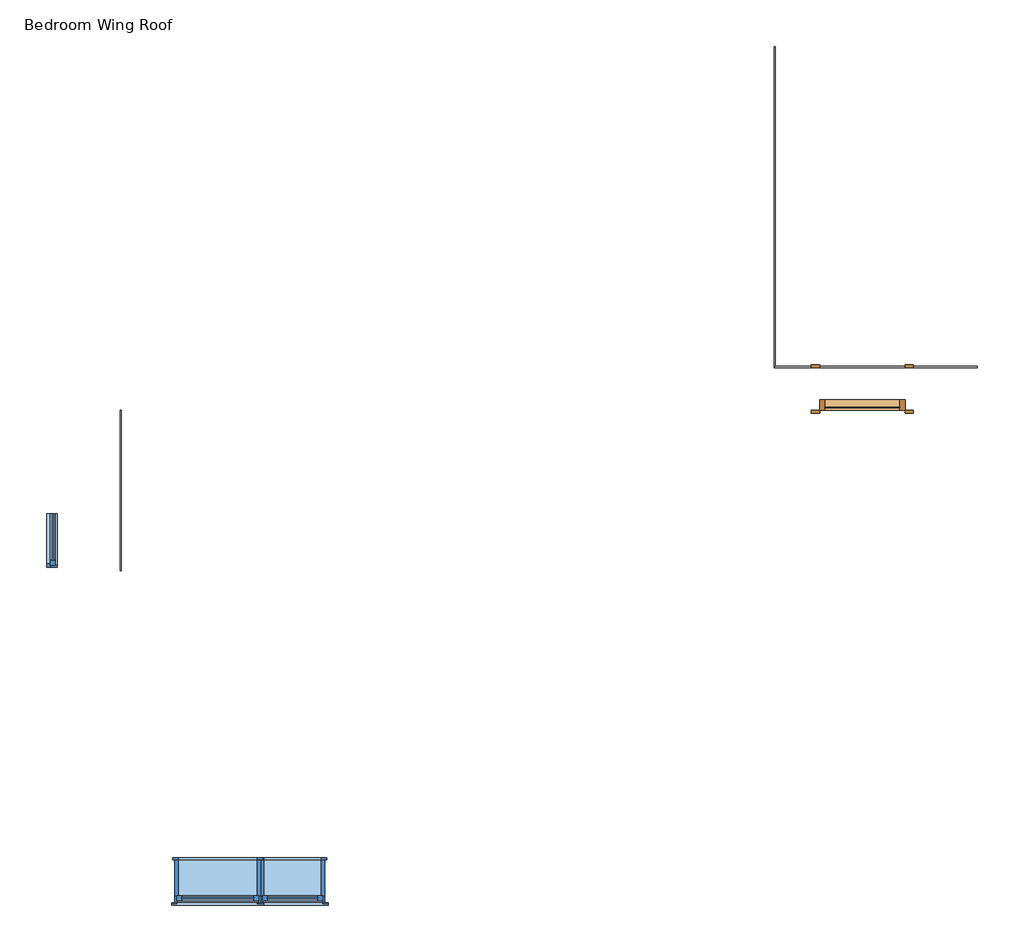
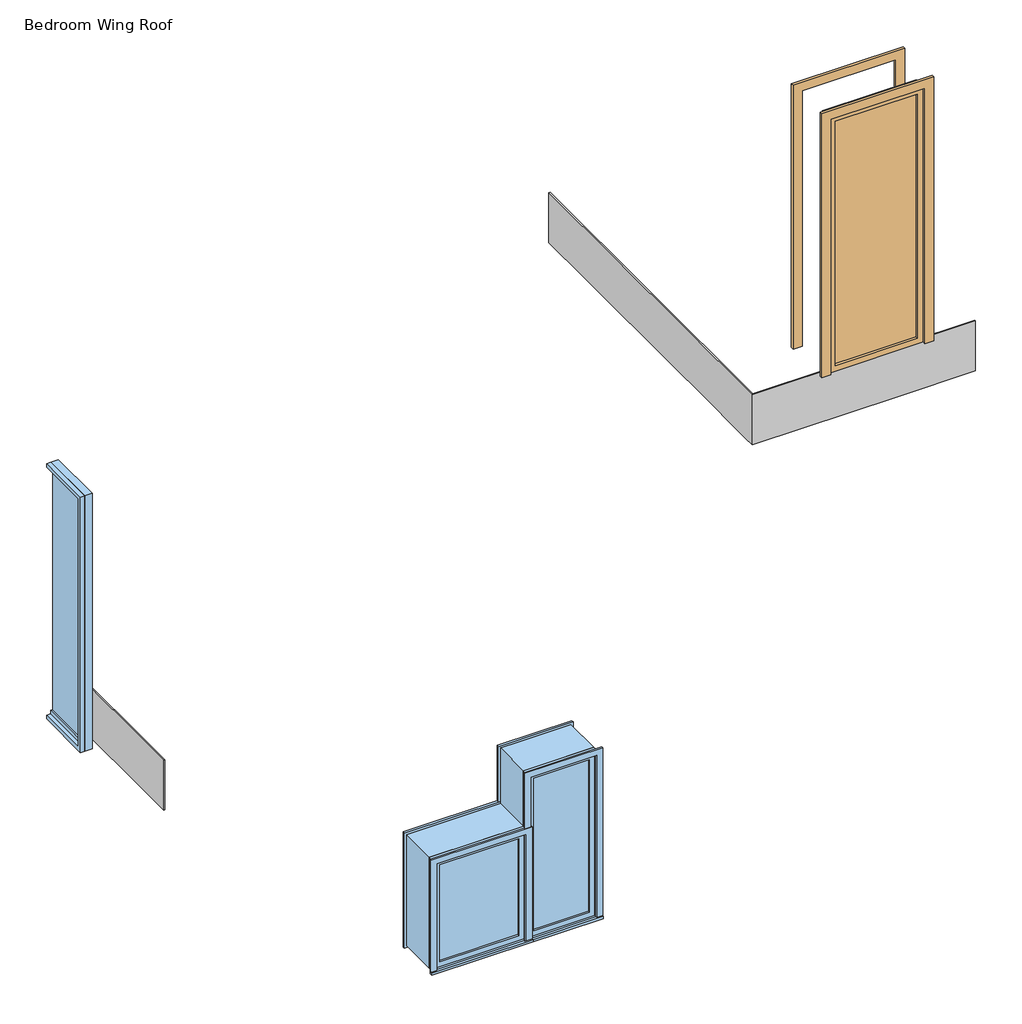
# One storey: 3 proxies, 3 windows, 1 door.
"""IFC4 building model written with IfcOpenShell, lengths in millimetres."""

import ifcopenshell
import ifcopenshell.guid

model = None  # the IFC model being written
_history = None  # IfcOwnerHistory: only IFC2X3 demands one
_inside = {}  # id of a spatial element -> (the spatial element, [elements in it])
_under = {}  # id of a project, library or spatial element -> (it, [spatial elements below it])
_declared = {}  # id of a project -> (the project, [libraries it declares])
_typed = {}  # id of a type object -> (the type object, [elements of that type])
_made_of = {}  # id of a material, layer set ... -> (it, [elements and type objects made of it])


def new_model(schema):
    """Start an empty IFC model of exactly this schema.

    Asked for "IFC4X3", IfcOpenShell would pick the latest addendum, in which some entities
    have other attributes; the version numbers below select the first issue.
    IFC2X3 requires an IfcOwnerHistory on every rooted entity: one is made here for all.
    """
    global model, _history
    if schema == "IFC4X3":
        model = ifcopenshell.file(schema_version=(4, 3, 0, 0))
    else:
        model = ifcopenshell.file(schema=schema)
    _inside.clear()
    _under.clear()
    _declared.clear()
    _typed.clear()
    _made_of.clear()
    _history = None
    if model.schema == "IFC2X3":
        org = make("IfcOrganization", Name="unknown")
        user = make(
            "IfcPersonAndOrganization",
            ThePerson=make("IfcPerson", FamilyName="unknown"),
            TheOrganization=org,
        )
        app = make(
            "IfcApplication",
            ApplicationDeveloper=org,
            Version="unknown",
            ApplicationFullName="unknown",
            ApplicationIdentifier="unknown",
        )
        _history = make(
            "IfcOwnerHistory",
            OwningUser=user,
            OwningApplication=app,
            ChangeAction="ADDED",
            CreationDate=0,
        )
    return model


def make(cls, **values):
    """One entity of the class cls with the attributes given. An attribute that is None is left unset."""
    return model.create_entity(
        cls, **{name: value for name, value in values.items() if value is not None}
    )


def rooted(cls, **values):
    """An entity with a GlobalId (a new one), such as an element, a storey or a relation."""
    return make(cls, GlobalId=ifcopenshell.guid.new(), OwnerHistory=_history, **values)


def si_unit(unit_type, name, prefix=None):
    """IfcSIUnit, for example si_unit("LENGTHUNIT", "METRE", prefix="MILLI")."""
    return make("IfcSIUnit", UnitType=unit_type, Prefix=prefix, Name=name)


def assignment(units):
    """IfcUnitAssignment: the units of a project."""
    return None if units is None else make("IfcUnitAssignment", Units=units)


def point(xyz):
    """IfcCartesianPoint."""
    return None if xyz is None else make("IfcCartesianPoint", Coordinates=xyz)


def direction(xyz):
    """IfcDirection."""
    return None if xyz is None else make("IfcDirection", DirectionRatios=xyz)


def frame(location, z_axis=None, x_axis=None):
    """IfcAxis2Placement3D, a coordinate frame: its origin and axes. An axis left out is left unset."""
    return make(
        "IfcAxis2Placement3D",
        Location=point(location),
        Axis=direction(z_axis),
        RefDirection=direction(x_axis),
    )


def origin():
    """The frame at (0, 0, 0) with its axes left unset."""
    return frame((0.0, 0.0, 0.0))


def place(relative_to, where):
    """IfcLocalPlacement: puts the frame where relative to a parent placement (None: the world)."""
    return make(
        "IfcLocalPlacement", PlacementRelTo=relative_to, RelativePlacement=where
    )


def context(
    kind, dimensions, precision=None, world=None, true_north=None, identifier=None
):
    """IfcGeometricRepresentationContext, for example the 3D "Model" context."""
    return make(
        "IfcGeometricRepresentationContext",
        ContextIdentifier=identifier,
        ContextType=kind,
        CoordinateSpaceDimension=dimensions,
        Precision=precision,
        WorldCoordinateSystem=world,
        TrueNorth=true_north,
    )


def project(units=None, contexts=None):
    """IfcProject with its units and contexts."""
    return rooted(
        "IfcProject",
        Name="project",
        RepresentationContexts=contexts,
        UnitsInContext=assignment(units),
    )


def spatial(cls, under=None, at=None, **own):
    """A site, building, storey or space (cls), placed at a placement, below another one or the project."""
    s = rooted(cls, ObjectPlacement=at, **own)
    if under is not None:
        _under.setdefault(under.id(), (under, []))[1].append(s)
    return s


def polyline(points):
    """IfcPolyline through the points."""
    return make("IfcPolyline", Points=[point(p) for p in points])


def outline(outer, holes=None, kind="AREA"):
    """IfcArbitraryClosedProfileDef: a profile drawn as a closed curve; with holes, ...WithVoids."""
    if holes is None:
        return make("IfcArbitraryClosedProfileDef", ProfileType=kind, OuterCurve=outer)
    return make(
        "IfcArbitraryProfileDefWithVoids",
        ProfileType=kind,
        OuterCurve=outer,
        InnerCurves=holes,
    )


def extrude(swept, where, along, depth):
    """IfcExtrudedAreaSolid: the profile swept, set in the frame where, extruded along a direction by depth."""
    return make(
        "IfcExtrudedAreaSolid",
        SweptArea=swept,
        Position=where,
        ExtrudedDirection=direction(along),
        Depth=depth,
    )


def faces_of(points, faces, orient=None, outer=None):
    """IfcFace entities. A face is a list of loops; a loop is a list of indices into points, from 0.

    orient and outer hold one flag for each loop. By default every Orientation is true, the
    first loop of a face is its IfcFaceOuterBound and the others are IfcFaceBound.
    """
    made = []
    for i, loops in enumerate(faces):
        bounds = []
        for j, loop in enumerate(loops):
            is_outer = j == 0 if outer is None else outer[i][j]
            bounds.append(
                make(
                    "IfcFaceOuterBound" if is_outer else "IfcFaceBound",
                    Bound=make("IfcPolyLoop", Polygon=[points[k] for k in loop]),
                    Orientation=True if orient is None else orient[i][j],
                )
            )
        made.append(make("IfcFace", Bounds=bounds))
    return made


def faceted_brep(points, faces, orient=None, outer=None, voids=None):
    """IfcFacetedBrep: a solid bounded by flat faces; with voids (closed shells), ...WithVoids."""
    shared = [point(p) for p in points]
    hull = make("IfcClosedShell", CfsFaces=faces_of(shared, faces, orient, outer))
    if voids is None:
        return make("IfcFacetedBrep", Outer=hull)
    return make(
        "IfcFacetedBrepWithVoids",
        Outer=hull,
        Voids=[
            make(cls, CfsFaces=faces_of(shared, fs, o, b)) for cls, fs, o, b in voids
        ],
    )


def shape(context_of_items, identifier, shape_type, items):
    """IfcShapeRepresentation: the items that make up one representation, for example the "Body"."""
    return make(
        "IfcShapeRepresentation",
        ContextOfItems=context_of_items,
        RepresentationIdentifier=identifier,
        RepresentationType=shape_type,
        Items=items,
    )


def source(mapping_origin, context_of_items, identifier, shape_type, items):
    """IfcRepresentationMap: a shape defined once, which mapped items show again and again."""
    return make(
        "IfcRepresentationMap",
        MappingOrigin=mapping_origin,
        MappedRepresentation=shape(context_of_items, identifier, shape_type, items),
    )


def transform(
    local_origin,
    x_axis=None,
    y_axis=None,
    z_axis=None,
    scale=None,
    scale2=None,
    scale3=None,
    uniform=True,
):
    """IfcCartesianTransformationOperator3D, or its non-uniform kind. x_axis, y_axis, z_axis: its Axis1, 2, 3."""
    if uniform:
        return make(
            "IfcCartesianTransformationOperator3D",
            Axis1=direction(x_axis),
            Axis2=direction(y_axis),
            LocalOrigin=point(local_origin),
            Scale=scale,
            Axis3=direction(z_axis),
        )
    return make(
        "IfcCartesianTransformationOperator3DnonUniform",
        Axis1=direction(x_axis),
        Axis2=direction(y_axis),
        LocalOrigin=point(local_origin),
        Scale=scale,
        Axis3=direction(z_axis),
        Scale2=scale2,
        Scale3=scale3,
    )


def mapped(mapping_source, mapping_target):
    """IfcMappedItem: shows the shape of a source again, moved by a transform."""
    return make(
        "IfcMappedItem", MappingSource=mapping_source, MappingTarget=mapping_target
    )


def made_of(thing, what):
    """Note that an element or type object is made of a material, layer set ...; save() writes the relation."""
    if what is not None:
        _made_of.setdefault(what.id(), (what, []))[1].append(thing)
    return thing


def element(
    cls,
    number,
    at=None,
    inside=None,
    cuts=None,
    type_object=None,
    material=None,
    context=None,
    identifier="Body",
    shape_type=None,
    held_by="IfcProductDefinitionShape",
    body=None,
    shapes=None,
    **own,
):
    """One element of the class cls, such as IfcWall. Its Tag is "e" and its number.

    at: its placement. inside: the storey or other place that contains it. cuts: it is an
    opening in that element (IfcRelVoidsElement). A single representation is given by context,
    identifier, shape_type and body (its items); several are given by shapes. held_by: the class
    of the entity that holds the representations. save() writes the other relations.
    """
    e = rooted(cls, Tag="e%d" % number, ObjectPlacement=at, **own)
    if body is not None:
        shapes = [shape(context, identifier, shape_type, body)]
    if shapes is not None:
        e.Representation = make(held_by, Representations=shapes)
    if inside is not None:
        _inside.setdefault(inside.id(), (inside, []))[1].append(e)
    if cuts is not None:
        rooted(
            "IfcRelVoidsElement", RelatingBuildingElement=cuts, RelatedOpeningElement=e
        )
    if type_object is not None:
        _typed.setdefault(type_object.id(), (type_object, []))[1].append(e)
    return made_of(e, material)


def aggregate(whole, parts):
    """IfcRelAggregates: a whole, such as a stair, and the parts it consists of."""
    return rooted("IfcRelAggregates", RelatingObject=whole, RelatedObjects=parts)


def save(model, path):
    """Write the relations noted so far, then the file.

    IfcRelAggregates (storeys below a building ...), IfcRelContainedInSpatialStructure (elements
    in a storey), IfcRelDefinesByType, IfcRelAssociatesMaterial and IfcRelDeclares: one each for
    every whole, place, type object, material and project.
    """
    for whole, parts in _under.values():
        aggregate(whole, parts)
    for where, things in _inside.values():
        rooted(
            "IfcRelContainedInSpatialStructure",
            RelatedElements=things,
            RelatingStructure=where,
        )
    for kind, things in _typed.values():
        rooted("IfcRelDefinesByType", RelatedObjects=things, RelatingType=kind)
    for what, things in _made_of.values():
        rooted("IfcRelAssociatesMaterial", RelatedObjects=things, RelatingMaterial=what)
    for by, libraries in _declared.values():
        rooted("IfcRelDeclares", RelatingContext=by, RelatedDefinitions=libraries)
    model.write(path)


def single_glass_1_80_230_e0f8d8a6(model_context):
    return source(origin(), model_context, "Body", "SweptSolid", [
        extrude(outline(polyline([(2300.0, 400.0), (0.0, 400.0), (0.0, 476.2), (2376.2, 476.2), (2376.2, -476.2), (0.0, -476.2), (0.0, -400.0), (2300.0, -400.0), (2300.0, 400.0)])), frame((0.0, 200.0, 0.0), z_axis=(0.0, 1.0, 0.0), x_axis=(0.0, 0.0, 1.0)), (0.0, 0.0, 1.0), 25.4),
        extrude(outline(polyline([(2300.0, 400.0), (0.0, 400.0), (0.0, 476.2), (2376.2, 476.2), (2376.2, -476.2), (0.0, -476.2), (0.0, -400.0), (2300.0, -400.0), (2300.0, 400.0)])), frame((0.0, -225.4, 0.0), z_axis=(0.0, 1.0, 0.0), x_axis=(0.0, 0.0, 1.0)), (0.0, 0.0, 1.0), 25.4),
        extrude(outline(polyline([(350.0, -171.425), (350.0, -177.775), (-350.0, -177.775), (-350.0, -171.425), (350.0, -171.425)])), frame((0.0, 0.0, 50.0), z_axis=(0.0, 0.0, 1.0), x_axis=(1.0, 0.0, 0.0)), (0.0, 0.0, 1.0), 2200.0),
        extrude(outline(polyline([(2300.0, 400.0), (2300.0, -400.0), (0.0, -400.0), (0.0, 400.0), (2300.0, 400.0)]), holes=[polyline([(2250.0, -350.0), (2250.0, 350.0), (50.0, 350.0), (50.0, -350.0), (2250.0, -350.0)])]), frame((0.0, -200.0, 0.0), z_axis=(0.0, 1.0, 0.0), x_axis=(0.0, 0.0, 1.0)), (0.0, 0.0, 1.0), 100.0),
    ])


def casement_with_trim_100x80_f4950e13(model_context):
    return source(origin(), model_context, "Body", "SweptSolid", [
        extrude(outline(polyline([(-430.95, 225.4), (430.95, 225.4), (430.95, 200.0), (-430.95, 200.0), (-430.95, 225.4)])), frame((0.0, 0.0, 914.4), z_axis=(0.0, 0.0, 1.0), x_axis=(1.0, 0.0, 0.0)), (0.0, 0.0, 1.0), 19.05),
        extrude(outline(polyline([(1895.35, -380.95), (1895.35, 380.95), (933.45, 380.95), (933.45, 430.95), (1945.35, 430.95), (1945.35, -430.95), (933.45, -430.95), (933.45, -380.95), (1895.35, -380.95)])), frame((0.0, 200.0, 0.0), z_axis=(0.0, 1.0, 0.0), x_axis=(0.0, 0.0, 1.0)), (0.0, 0.0, 1.0), 12.7),
        extrude(outline(polyline([(1932.65, 418.25), (1932.65, -418.25), (896.15, -418.25), (896.15, 418.25), (1932.65, 418.25)]), holes=[polyline([(1882.65, 368.25), (946.15, 368.25), (946.15, -368.25), (1882.65, -368.25), (1882.65, 368.25)])]), frame((0.0, -219.05, 0.0), z_axis=(0.0, 1.0, 0.0), x_axis=(0.0, 0.0, 1.0)), (0.0, 0.0, 1.0), 19.05),
        extrude(outline(polyline([(336.5, 152.375), (-336.5, 152.375), (-336.5, 165.075), (336.5, 165.075), (336.5, 152.375)])), frame((0.0, 0.0, 977.9), z_axis=(0.0, 0.0, 1.0), x_axis=(1.0, 0.0, 0.0)), (0.0, 0.0, 1.0), 873.0),
        extrude(outline(polyline([(1895.35, -380.95), (933.45, -380.95), (933.45, 380.95), (1895.35, 380.95), (1895.35, -380.95)]), holes=[polyline([(1850.9, -336.5), (1850.9, 336.5), (977.9, 336.5), (977.9, -336.5), (1850.9, -336.5)])]), frame((0.0, 136.5, 0.0), z_axis=(0.0, 1.0, 0.0), x_axis=(0.0, 0.0, 1.0)), (0.0, 0.0, 1.0), 44.45),
        extrude(outline(polyline([(1914.4, -400.0), (914.4, -400.0), (914.4, 400.0), (1914.4, 400.0), (1914.4, -400.0)]), holes=[polyline([(1882.65, -368.25), (1882.65, 368.25), (946.15, 368.25), (946.15, -368.25), (1882.65, -368.25)])]), frame((0.0, -200.0, 0.0), z_axis=(0.0, 1.0, 0.0), x_axis=(0.0, 0.0, 1.0)), (0.0, 0.0, 1.0), 336.5),
        extrude(outline(polyline([(1914.4, 400.0), (1914.4, -400.0), (914.4, -400.0), (914.4, 400.0), (1914.4, 400.0)]), holes=[polyline([(1895.35, 380.95), (933.45, 380.95), (933.45, -380.95), (1895.35, -380.95), (1895.35, 380.95)])]), frame((0.0, 136.5, 0.0), z_axis=(0.0, 1.0, 0.0), x_axis=(0.0, 0.0, 1.0)), (0.0, 0.0, 1.0), 63.5),
    ])


def casement_with_trim_150x60_496f3e53(model_context):
    return source(origin(), model_context, "Body", "SweptSolid", [
        extrude(outline(polyline([(-330.95, 225.4), (330.95, 225.4), (330.95, 200.0), (-330.95, 200.0), (-330.95, 225.4)])), frame((0.0, 0.0, 914.4), z_axis=(0.0, 0.0, 1.0), x_axis=(1.0, 0.0, 0.0)), (0.0, 0.0, 1.0), 19.05),
        extrude(outline(polyline([(2395.35, -280.95), (2395.35, 280.95), (933.45, 280.95), (933.45, 330.95), (2445.35, 330.95), (2445.35, -330.95), (933.45, -330.95), (933.45, -280.95), (2395.35, -280.95)])), frame((0.0, 200.0, 0.0), z_axis=(0.0, 1.0, 0.0), x_axis=(0.0, 0.0, 1.0)), (0.0, 0.0, 1.0), 12.7),
        extrude(outline(polyline([(2432.65, 318.25), (2432.65, -318.25), (896.15, -318.25), (896.15, 318.25), (2432.65, 318.25)]), holes=[polyline([(2382.65, 268.25), (946.15, 268.25), (946.15, -268.25), (2382.65, -268.25), (2382.65, 268.25)])]), frame((0.0, -219.05, 0.0), z_axis=(0.0, 1.0, 0.0), x_axis=(0.0, 0.0, 1.0)), (0.0, 0.0, 1.0), 19.05),
        extrude(outline(polyline([(236.5, 152.375), (-236.5, 152.375), (-236.5, 165.075), (236.5, 165.075), (236.5, 152.375)])), frame((0.0, 0.0, 977.9), z_axis=(0.0, 0.0, 1.0), x_axis=(1.0, 0.0, 0.0)), (0.0, 0.0, 1.0), 1373.0),
        extrude(outline(polyline([(2395.35, -280.95), (933.45, -280.95), (933.45, 280.95), (2395.35, 280.95), (2395.35, -280.95)]), holes=[polyline([(2350.9, -236.5), (2350.9, 236.5), (977.9, 236.5), (977.9, -236.5), (2350.9, -236.5)])]), frame((0.0, 136.5, 0.0), z_axis=(0.0, 1.0, 0.0), x_axis=(0.0, 0.0, 1.0)), (0.0, 0.0, 1.0), 44.45),
        extrude(outline(polyline([(2414.4, -300.0), (914.4, -300.0), (914.4, 300.0), (2414.4, 300.0), (2414.4, -300.0)]), holes=[polyline([(2382.65, -268.25), (2382.65, 268.25), (946.15, 268.25), (946.15, -268.25), (2382.65, -268.25)])]), frame((0.0, -200.0, 0.0), z_axis=(0.0, 1.0, 0.0), x_axis=(0.0, 0.0, 1.0)), (0.0, 0.0, 1.0), 336.5),
        extrude(outline(polyline([(2414.4, 300.0), (2414.4, -300.0), (914.4, -300.0), (914.4, 300.0), (2414.4, 300.0)]), holes=[polyline([(2395.35, 280.95), (933.45, 280.95), (933.45, -280.95), (2395.35, -280.95), (2395.35, 280.95)])]), frame((0.0, 136.5, 0.0), z_axis=(0.0, 1.0, 0.0), x_axis=(0.0, 0.0, 1.0)), (0.0, 0.0, 1.0), 63.5),
    ])


def fixed_frameless_right_60_230_8c051b58(model_context):
    return source(origin(), model_context, "Body", "SweptSolid", [
        extrude(outline(polyline([(148.4, 2.375), (-288.1, 2.375), (-288.1, 15.075), (148.4, 15.075), (148.4, 2.375)])), frame((0.0, 0.0, 977.9), z_axis=(0.0, 0.0, 1.0), x_axis=(1.0, 0.0, 0.0)), (0.0, 0.0, 1.0), 2173.0),
        extrude(outline(polyline([(3195.35, -288.1), (3150.9, -288.1), (3150.9, 148.4), (977.9, 148.4), (977.9, -288.1), (933.45, -288.1), (933.45, 192.85), (3195.35, 192.85), (3195.35, -288.1)])), frame((0.0, -13.5, 0.0), z_axis=(0.0, 1.0, 0.0), x_axis=(0.0, 0.0, 1.0)), (0.0, 0.0, 1.0), 44.45),
        extrude(outline(polyline([(3214.4, -288.1), (3182.65, -288.1), (3182.65, 180.15), (946.15, 180.15), (946.15, -288.1), (914.4, -288.1), (914.4, 211.9), (3214.4, 211.9), (3214.4, -288.1)])), frame((0.0, -50.0, 0.0), z_axis=(0.0, 1.0, 0.0), x_axis=(0.0, 0.0, 1.0)), (0.0, 0.0, 1.0), 36.5),
        extrude(outline(polyline([(3214.4, 211.9), (3214.4, -288.1), (3195.35, -288.1), (3195.35, 192.85), (933.45, 192.85), (933.45, -288.1), (914.4, -288.1), (914.4, 211.9), (3214.4, 211.9)])), frame((0.0, -13.5, 0.0), z_axis=(0.0, 1.0, 0.0), x_axis=(0.0, 0.0, 1.0)), (0.0, 0.0, 1.0), 63.5),
    ])


model = new_model("IFC4")

# Units and contexts
model_context = context("Model", 3, world=origin())
ifc_project = project(units=[si_unit("LENGTHUNIT", "METRE", prefix="MILLI")], contexts=[model_context])

# Site, building, storey
site = spatial("IfcSite", under=ifc_project)
building = spatial("IfcBuilding", under=site)
storey = spatial("IfcBuildingStorey", under=building, Name="Bedroom Wing Roof", Elevation=2133.6)

# Proxies
placement = place(None, origin())
element("IfcBuildingElementProxy", 1, Name="Wall Sweeps", at=placement, inside=storey, context=model_context, shape_type="Brep", body=[
    faceted_brep([(463.797955, 3069.653017, 2300.0), (463.797955, 3069.653017, 2750.0), (473.797955, 3069.653017, 2750.0), (473.797955, 3069.653017, 2300.0), (463.797955, 1569.653017, 2300.0), (473.797955, 1569.653017, 2300.0), (473.797955, 1569.653017, 2750.0), (463.797955, 1569.653017, 2750.0), (473.797955, 1819.653017, 2300.0), (473.797955, 2819.653017, 2300.0)], [[[0, 1, 2, 3]], [[4, 5, 6, 7]], [[1, 0, 4, 7]], [[2, 1, 7, 6]], [[3, 2, 6, 5, 8, 9]], [[0, 3, 9, 8, 5, 4]]]),
])
element("IfcBuildingElementProxy", 2, Name="Wall Sweeps", at=placement, inside=storey, context=model_context, shape_type="Brep", body=[
    faceted_brep([(6583.797955, 6469.653017, 2300.0), (6573.797955, 6469.653017, 2300.0), (6573.797955, 6469.653017, 2750.0), (6583.797955, 6469.653017, 2750.0), (6583.797955, 3479.653017, 2300.0), (6583.797955, 3479.653017, 2750.0), (6573.797955, 3469.653017, 2750.0), (6573.797955, 3469.653017, 2300.0), (6573.797955, 3569.653017, 2300.0), (6573.797955, 4269.653017, 2300.0), (6573.797955, 4569.653017, 2300.0), (6573.797955, 5969.653017, 2300.0)], [[[0, 1, 2, 3]], [[4, 5, 6, 7]], [[1, 0, 4, 7, 8, 9, 10, 11]], [[2, 1, 11, 10, 9, 8, 7, 6]], [[3, 2, 6, 5]], [[0, 3, 5, 4]]]),
])
element("IfcBuildingElementProxy", 3, Name="Wall Sweeps", at=placement, inside=storey, context=model_context, shape_type="Brep", body=[
    faceted_brep([(8473.797955, 3479.653017, 2300.0), (8473.797955, 3479.653017, 2750.0), (8473.797955, 3469.653017, 2750.0), (8473.797955, 3469.653017, 2300.0), (6583.797955, 3479.653017, 2300.0), (6573.797955, 3469.653017, 2300.0), (6573.797955, 3469.653017, 2750.0), (6583.797955, 3479.653017, 2750.0), (6998.797955, 3469.653017, 2300.0), (7798.797955, 3469.653017, 2300.0)], [[[0, 1, 2, 3]], [[4, 5, 6, 7]], [[1, 0, 4, 7]], [[2, 1, 7, 6]], [[3, 2, 6, 5, 8, 9]], [[0, 3, 9, 8, 5, 4]]]),
])

# Door
single_glass_1_80_230_shape = single_glass_1_80_230_e0f8d8a6(model_context)
element("IfcDoor", 4, ObjectType="Single-Glass 1 : 80/230", at=placement, inside=storey, context=model_context, shape_type="MappedRepresentation", body=[
    mapped(single_glass_1_80_230_shape, transform((7398.4223844, 3269.653017, 3040.0), x_axis=(1.0, 0.0, 0.0), y_axis=(0.0, 1.0, 0.0), z_axis=(0.0, 0.0, 1.0))),
])

# Windows
casement_with_trim_100x80_shape = casement_with_trim_100x80_f4950e13(model_context)
element("IfcWindow", 5, ObjectType="Casement with Trim : 100x80", at=placement, inside=storey, context=model_context, shape_type="MappedRepresentation", body=[
    mapped(casement_with_trim_100x80_shape, transform((1373.797955, -1330.346983, 1625.6), x_axis=(-1.0, 0.0, 0.0), y_axis=(0.0, -1.0, 0.0), z_axis=(0.0, 0.0, 1.0))),
])
casement_with_trim_150x60_shape = casement_with_trim_150x60_496f3e53(model_context)
element("IfcWindow", 6, ObjectType="Casement with Trim : 150x60", at=placement, inside=storey, context=model_context, shape_type="MappedRepresentation", body=[
    mapped(casement_with_trim_150x60_shape, transform((2073.797955, -1330.346983, 1625.6), x_axis=(-1.0, 0.0, 0.0), y_axis=(0.0, -1.0, 0.0), z_axis=(0.0, 0.0, 1.0))),
])
fixed_frameless_right_60_230_shape = fixed_frameless_right_60_230_8c051b58(model_context)
element("IfcWindow", 7, ObjectType="Fixed-Frameless Right : 60/230", at=placement, inside=storey, context=model_context, shape_type="MappedRepresentation", body=[
    mapped(fixed_frameless_right_60_230_shape, transform((-176.202045, 1816.2096782, 2125.6), x_axis=(0.0, -1.0, 0.0), y_axis=(1.0, 0.0, 0.0), z_axis=(0.0, 0.0, 1.0))),
])

save(model, "model.ifc")
